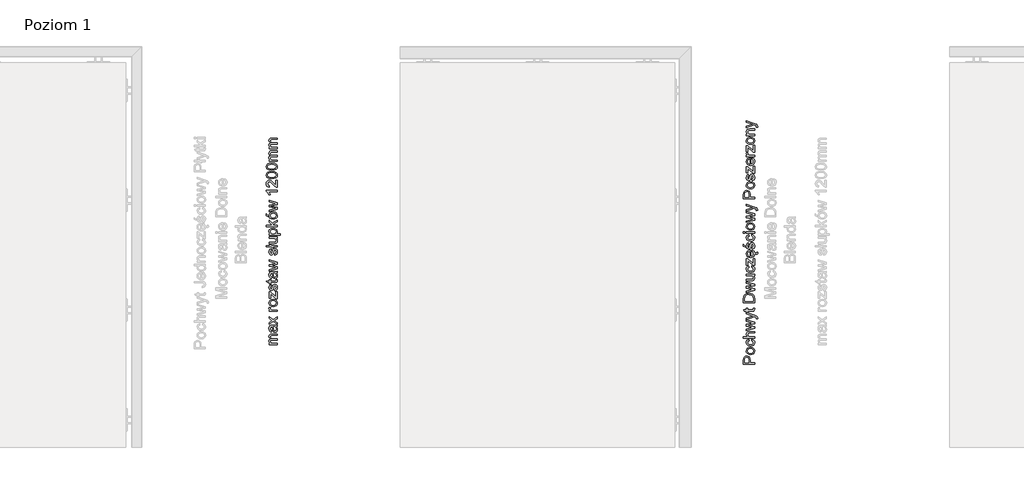
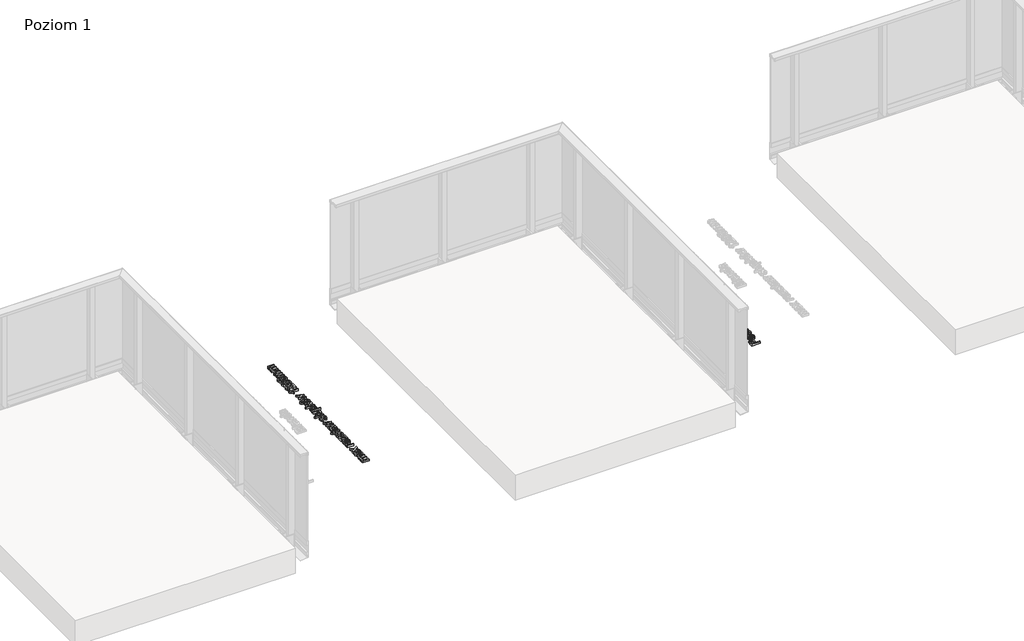
# One storey, part 22 of 35: 2 proxies.
"""IFC4 building model written with IfcOpenShell, lengths in millimetres."""

from ifc_helpers import new_model, si_unit, origin, origin_with_axes, place, context, project, spatial, polyline, outline, extrude, element, save

model = new_model("IFC4")

# Units and contexts
model_context = context("Model", 3, world=origin())
ifc_project = project(units=[si_unit("LENGTHUNIT", "METRE", prefix="MILLI")], contexts=[model_context])

# Site, building, storey
site = spatial("IfcSite", under=ifc_project)
building = spatial("IfcBuilding", under=site)
storey = spatial("IfcBuildingStorey", under=building, Name="Poziom 1", Elevation=0.0)

# Proxies
placement = place(None, origin())
element("IfcBuildingElementProxy", 1, Name="Generic Models", at=placement, inside=storey, context=model_context, shape_type="SweptSolid", body=[
    extrude(outline(polyline([(15115.5993765, -3873.2524168), (15015.1430664, -3873.2524168), (15015.1430664, -3836.0227589), (15016.0995596, -3821.0131735), (15020.7961864, -3808.811754), (15030.508271, -3800.9022911), (15044.205744, -3797.9101842), (15056.0454129, -3799.9304695), (15065.9107817, -3805.9913253), (15072.5694458, -3817.3251565), (15074.7890005, -3835.1643675), (15074.7890005, -3860.695378), (15115.5993765, -3860.695378), (15115.5993765, -3873.2524168)]), holes=[polyline([(15062.2319618, -3860.695378), (15062.2319618, -3834.4286035), (15057.6211741, -3815.9364019), (15052.0722873, -3811.8345177), (15044.6472024, -3810.4672229), (15034.2484047, -3813.6923218), (15028.5584965, -3822.1658704), (15027.7001052, -3834.7229091), (15027.7001052, -3860.695378), (15062.2319618, -3860.695378)])]), origin_with_axes(), (0.0, 0.0, 1.0), 20.0),
    extrude(outline(polyline([(15078.7130752, -3785.3531454), (15060.9259807, -3782.63695), (15048.4241242, -3774.4883638), (15042.298889, -3764.4206599), (15040.2571439, -3752.3663932), (15042.7434131, -3739.1747579), (15050.2022205, -3728.6380045), (15062.0449551, -3721.73102), (15077.6830056, -3719.4286919), (15100.0257054, -3723.4999193), (15112.6685833, -3735.3579822), (15117.1690064, -3752.3663932), (15114.6919343, -3765.7174439), (15107.260718, -3776.2419346), (15095.1696631, -3783.0753427), (15078.7130752, -3785.3531454)]), holes=[polyline([(15078.6885497, -3772.7961066), (15090.0530377, -3771.3429727), (15098.1495072, -3766.9835711), (15102.9963525, -3760.4230089), (15104.6119676, -3752.3663932), (15102.9871555, -3744.3465657), (15098.112719, -3737.7982661), (15089.9089505, -3733.4388645), (15078.2961422, -3731.9857306), (15067.2627481, -3733.4480616), (15059.2766431, -3737.8350543), (15054.4297978, -3744.3925509), (15052.8141827, -3752.3663932), (15054.4236664, -3760.4230089), (15059.2521176, -3766.9835711), (15067.3301931, -3771.3429727), (15078.6885497, -3772.7961066)])]), origin_with_axes(), (0.0, 0.0, 1.0), 20.0),
    extrude(outline(polyline([(15088.9156692, -3658.2131279), (15090.485299, -3645.6560891), (15101.6535832, -3649.1570994), (15110.0934093, -3655.7360558), (15115.4001071, -3664.7736901), (15117.1690064, -3675.6507344), (15114.7011313, -3689.0079165), (15107.2975062, -3699.4526995), (15095.2830934, -3706.1941371), (15078.9828553, -3708.4412829), (15058.1239462, -3704.6030475), (15044.7207788, -3692.9044), (15040.2571439, -3675.8224127), (15041.7899856, -3665.2120828), (15046.3885105, -3656.7293371), (15053.8074641, -3650.6439558), (15063.8015916, -3647.2257189), (15065.3712215, -3659.7827577), (15055.9657051, -3665.607556), (15052.8141827, -3675.7243108), (15054.3654184, -3683.8391745), (15059.0191257, -3690.2801751), (15067.0266904, -3694.4832269), (15078.6394988, -3695.8842442), (15090.4086569, -3694.5138837), (15098.4438128, -3690.4028024), (15103.0699289, -3684.0782978), (15104.6119676, -3676.0676674), (15100.7614694, -3664.2341298), (15088.9156692, -3658.2131279)])), origin_with_axes(), (0.0, 0.0, 1.0), 20.0),
    extrude(outline(polyline([(15115.5993765, -3634.6686802), (15015.1430664, -3634.6686802), (15015.1430664, -3622.1116414), (15052.0784187, -3622.1116414), (15043.2124626, -3612.319849), (15040.2571439, -3600.2594509), (15043.4822427, -3586.1573077), (15052.3972498, -3577.59792), (15068.9028886, -3575.022746), (15115.5993765, -3575.022746), (15115.5993765, -3587.5797848), (15070.2027383, -3587.5797848), (15056.9589865, -3591.5774358), (15052.8141827, -3602.9082013), (15055.6100859, -3613.1966344), (15063.188455, -3620.063765), (15076.4076813, -3622.1116414), (15115.5993765, -3622.1116414), (15115.5993765, -3634.6686802)])), origin_with_axes(), (0.0, 0.0, 1.0), 20.0),
    extrude(outline(polyline([(15115.5993765, -3545.51861), (15041.8267738, -3567.9594117), (15041.8267738, -3554.9118636), (15084.8689672, -3542.1831466), (15100.2464346, -3538.3816993), (15085.4330529, -3535.2669651), (15041.8267738, -3525.1379475), (15041.8267738, -3510.177413), (15085.3104256, -3500.0974463), (15098.7258557, -3497.3260686), (15084.5746616, -3493.3529431), (15041.8267738, -3480.5997006), (15041.8267738, -3467.5031016), (15115.5993765, -3490.1155815), (15115.5993765, -3505.2968452), (15072.3364539, -3514.9353535), (15058.8474474, -3517.7312566), (15115.5993765, -3530.1656681), (15115.5993765, -3545.51861)])), origin_with_axes(), (0.0, 0.0, 1.0), 20.0),
    extrude(outline(polyline([(15143.8527138, -3458.8701374), (15131.7616589, -3460.4397673), (15132.8653048, -3454.063146), (15131.479616, -3448.1034577), (15127.616855, -3444.4491632), (15118.3707542, -3441.0155979), (15115.3295964, -3440.0345793), (15041.8267738, -3466.7182866), (15041.8267738, -3453.4745348), (15082.7843026, -3439.3233407), (15099.1673141, -3434.393722), (15084.6972889, -3429.4641033), (15041.8267738, -3414.9205017), (15041.8267738, -3401.7748518), (15117.3652101, -3427.453015), (15133.7482216, -3434.1239419), (15142.601915, -3441.4080054), (15145.4223436, -3451.1936664), (15143.8527138, -3458.8701374)])), origin_with_axes(), (0.0, 0.0, 1.0), 20.0),
    extrude(outline(polyline([(15105.1270024, -3364.6923466), (15115.9672585, -3363.1227168), (15117.1690064, -3372.5159704), (15115.0843417, -3383.0373955), (15109.6151627, -3388.2858453), (15095.3658668, -3389.8064242), (15054.3838125, -3389.8064242), (15054.3838125, -3399.2242033), (15041.8267738, -3399.2242033), (15041.8267738, -3389.8064242), (15023.8986579, -3389.8064242), (15016.5164925, -3377.2493854), (15041.8267738, -3377.2493854), (15041.8267738, -3364.6923466), (15054.3838125, -3364.6923466), (15054.3838125, -3377.2493854), (15094.9979848, -3377.2493854), (15101.4727079, -3376.5871978), (15103.765839, -3374.4412195), (15104.6119676, -3370.1615256), (15105.1270024, -3364.6923466)])), origin_with_axes(), (0.0, 0.0, 1.0), 20.0),
    extrude(outline(polyline([(15115.5993765, -3311.3249319), (15015.1430664, -3311.3249319), (15015.1430664, -3276.6704479), (15016.5900689, -3258.742332), (15023.7760305, -3243.9780013), (15040.943857, -3232.0831501), (15064.8316612, -3228.13455), (15085.1019591, -3230.8078259), (15099.7313998, -3237.6749564), (15108.8426106, -3246.8474809), (15113.8825939, -3258.8526966), (15115.5993765, -3275.0027162), (15115.5993765, -3311.3249319)]), holes=[polyline([(15103.0423378, -3298.7678931), (15103.0423378, -3276.5478206), (15101.2274533, -3260.3855383), (15096.1016308, -3251.0658611), (15083.6304312, -3243.4261783), (15064.6354575, -3240.6915888), (15050.9502472, -3242.0312924), (15040.8457551, -3246.0504032), (15029.7111934, -3259.0856886), (15027.7001052, -3276.8911771), (15027.7001052, -3298.7678931), (15103.0423378, -3298.7678931)])]), origin_with_axes(), (0.0, 0.0, 1.0), 20.0),
    extrude(outline(polyline([(15115.5993765, -3200.2000439), (15041.8267738, -3222.6408456), (15041.8267738, -3209.5932975), (15084.8689672, -3196.8645804), (15100.2464346, -3193.0631332), (15085.4330529, -3189.9483989), (15041.8267738, -3179.8193813), (15041.8267738, -3164.8588469), (15085.3104256, -3154.7788802), (15098.7258557, -3152.0075025), (15084.5746616, -3148.0343769), (15041.8267738, -3135.2811344), (15041.8267738, -3122.1845354), (15115.5993765, -3144.7970154), (15115.5993765, -3159.9782791), (15072.3364539, -3169.6167873), (15058.8474474, -3172.4126905), (15115.5993765, -3184.8471019), (15115.5993765, -3200.2000439)])), origin_with_axes(), (0.0, 0.0, 1.0), 20.0),
    extrude(outline(polyline([(15115.5993765, -3066.4626759), (15102.9197104, -3066.4626759), (15113.6066824, -3076.2973879), (15117.1690064, -3089.1242068), (15114.6674088, -3100.9332188), (15108.3888894, -3109.0756737), (15099.1427886, -3112.8158073), (15087.4686666, -3113.5515713), (15041.8267738, -3113.5515713), (15041.8267738, -3100.9945325), (15081.5580292, -3100.9945325), (15094.3603227, -3100.234243), (15101.8773781, -3095.2678361), (15104.6119676, -3085.9113707), (15101.8160644, -3075.4267338), (15094.2009071, -3068.4982896), (15080.2091286, -3066.4626759), (15041.8267738, -3066.4626759), (15041.8267738, -3053.9056371), (15115.5993765, -3053.9056371), (15115.5993765, -3066.4626759)])), origin_with_axes(), (0.0, 0.0, 1.0), 20.0),
    extrude(outline(polyline([(15088.9156692, -2989.5508134), (15090.485299, -2976.9937747), (15101.6535832, -2980.494785), (15110.0934093, -2987.0737413), (15115.4001071, -2996.1113757), (15117.1690064, -3006.98842), (15114.7011313, -3020.3456021), (15107.2975062, -3030.7903851), (15095.2830934, -3037.5318226), (15078.9828553, -3039.7789685), (15058.1239462, -3035.940733), (15044.7207788, -3024.2420856), (15040.2571439, -3007.1600983), (15041.7899856, -2996.5497684), (15046.3885105, -2988.0670227), (15053.8074641, -2981.9816414), (15063.8015916, -2978.5634045), (15065.3712215, -2991.1204433), (15055.9657051, -2996.9452415), (15052.8141827, -3007.0619964), (15054.3654184, -3015.1768601), (15059.0191257, -3021.6178607), (15067.0266904, -3025.8209125), (15078.6394988, -3027.2219297), (15090.4086569, -3025.8515693), (15098.4438128, -3021.740488), (15103.0699289, -3015.4159834), (15104.6119676, -3007.4053529), (15100.7614694, -2995.5718154), (15088.9156692, -2989.5508134)])), origin_with_axes(), (0.0, 0.0, 1.0), 20.0),
    extrude(outline(polyline([(15115.5993765, -2973.854515), (15103.7781018, -2973.854515), (15054.3838125, -2930.5180159), (15054.3838125, -2943.3448348), (15054.3838125, -2970.7152553), (15041.8267738, -2970.7152553), (15041.8267738, -2912.638951), (15052.4953516, -2912.638951), (15096.32236, -2951.0703567), (15103.0423378, -2956.9564687), (15103.0423378, -2942.4373926), (15103.0423378, -2911.0693211), (15115.5993765, -2911.0693211), (15115.5993765, -2973.854515)])), origin_with_axes(), (0.0, 0.0, 1.0), 20.0),
    extrude(outline(polyline([(15093.6245587, -2846.8616502), (15095.1941885, -2834.5498661), (15104.4709462, -2838.9859098), (15111.4055218, -2846.0645726), (15115.768218, -2855.9570793), (15121.6694295, -2861.8344474), (15128.9902812, -2863.9804257), (15133.9689508, -2862.4475841), (15136.0045645, -2857.4811772), (15135.5631061, -2854.3419175), (15134.3858838, -2851.423387), (15143.0433734, -2851.423387), (15145.4223436, -2860.2280294), (15144.4167995, -2866.0037767), (15141.6454218, -2870.1240551), (15137.5864571, -2872.5888644), (15132.6691011, -2873.3982048), (15123.7540941, -2870.9456582), (15116.8755159, -2865.091109), (15117.1690064, -2867.5120929), (15114.6827372, -2882.2457668), (15107.2239298, -2893.5826636), (15095.276962, -2900.8115448), (15079.3262118, -2903.2211719), (15062.8389671, -2900.7870194), (15050.5087889, -2893.4845618), (15042.8200552, -2882.3009491), (15040.2571439, -2868.2233314), (15042.8139238, -2854.5841064), (15050.4842634, -2843.6856023), (15062.7899161, -2836.5394946), (15079.2526354, -2834.1574587), (15082.6371498, -2834.2310351), (15082.6371498, -2890.6641331), (15092.0365347, -2888.4905637), (15098.9465849, -2883.4413833), (15103.1956219, -2876.1542541), (15104.6119676, -2867.2668382), (15101.9877427, -2854.9550541), (15093.6245587, -2846.8616502)]), holes=[polyline([(15070.080111, -2890.6641331), (15070.080111, -2846.7144974), (15058.7002946, -2851.742218), (15054.2857107, -2859.0630697), (15052.8141827, -2868.2723823), (15057.5108095, -2883.7356889), (15063.0014483, -2888.6009283), (15070.080111, -2890.6641331)])]), origin_with_axes(), (0.0, 0.0, 1.0), 20.0),
    extrude(outline(polyline([(15093.6245587, -2826.3093094), (15092.0549288, -2813.7522707), (15101.3746061, -2807.9397351), (15104.6119676, -2794.6224069), (15101.6443862, -2781.8201135), (15094.6791537, -2777.6507842), (15089.0382965, -2781.8446389), (15085.4575784, -2794.7695597), (15079.3139491, -2813.6786943), (15072.1402502, -2821.9315137), (15062.0112326, -2824.7396796), (15052.6547672, -2822.4833367), (15045.5055937, -2816.3274446), (15041.7899856, -2808.3444053), (15040.2571439, -2797.5409374), (15042.7219533, -2782.2615719), (15049.3928801, -2772.5494872), (15060.6623319, -2768.2330051), (15062.2319618, -2780.7900439), (15055.3035175, -2785.5111962), (15052.8141827, -2796.5599188), (15055.1931529, -2808.5773973), (15060.7359083, -2812.1826408), (15064.3902028, -2810.6865874), (15067.1615805, -2806.0022233), (15069.8348563, -2795.1864926), (15075.7454937, -2776.7556047), (15082.440946, -2768.1962169), (15093.3547786, -2765.0937454), (15105.3722571, -2768.7357772), (15114.0910604, -2779.2449395), (15117.1690064, -2794.7940852), (15115.6852157, -2807.4553572), (15111.2338435, -2816.6953266), (15103.8639409, -2822.8634814), (15093.6245587, -2826.3093094)])), origin_with_axes(), (0.0, 0.0, 1.0), 20.0),
    extrude(outline(polyline([(15033.9786245, -2807.4737513), (15015.1430664, -2798.0559722), (15015.1430664, -2782.3596737), (15033.9786245, -2798.0559722), (15033.9786245, -2807.4737513)])), origin_with_axes(), (0.0, 0.0, 1.0), 20.0),
    extrude(outline(polyline([(15088.9156692, -2703.8781814), (15090.485299, -2691.3211427), (15101.6535832, -2694.822153), (15110.0934093, -2701.4011093), (15115.4001071, -2710.4387437), (15117.1690064, -2721.315788), (15114.7011313, -2734.6729701), (15107.2975062, -2745.1177531), (15095.2830934, -2751.8591907), (15078.9828553, -2754.1063365), (15058.1239462, -2750.268101), (15044.7207788, -2738.5694536), (15040.2571439, -2721.4874663), (15041.7899856, -2710.8771364), (15046.3885105, -2702.3943907), (15053.8074641, -2696.3090094), (15063.8015916, -2692.8907725), (15065.3712215, -2705.4478113), (15055.9657051, -2711.2726095), (15052.8141827, -2721.3893644), (15054.3654184, -2729.5042281), (15059.0191257, -2735.9452287), (15067.0266904, -2740.1482805), (15078.6394988, -2741.5492977), (15090.4086569, -2740.1789373), (15098.4438128, -2736.067856), (15103.0699289, -2729.7433514), (15104.6119676, -2721.7327209), (15100.7614694, -2709.8991834), (15088.9156692, -2703.8781814)])), origin_with_axes(), (0.0, 0.0, 1.0), 20.0),
    extrude(outline(polyline([(15027.7001052, -2680.3337337), (15015.1430664, -2680.3337337), (15015.1430664, -2667.776695), (15027.7001052, -2667.776695), (15027.7001052, -2680.3337337)])), origin_with_axes(), (0.0, 0.0, 1.0), 20.0),
    extrude(outline(polyline([(15115.5993765, -2680.3337337), (15041.8267738, -2680.3337337), (15041.8267738, -2667.776695), (15115.5993765, -2667.776695), (15115.5993765, -2680.3337337)])), origin_with_axes(), (0.0, 0.0, 1.0), 20.0),
    extrude(outline(polyline([(15078.7130752, -2652.0803965), (15060.9259807, -2649.3642011), (15048.4241242, -2641.2156149), (15042.298889, -2631.147911), (15040.2571439, -2619.0936443), (15042.7434131, -2605.9020091), (15050.2022205, -2595.3652556), (15062.0449551, -2588.4582711), (15077.6830056, -2586.155943), (15100.0257054, -2590.2271704), (15112.6685833, -2602.0852334), (15117.1690064, -2619.0936443), (15114.6919343, -2632.444695), (15107.260718, -2642.9691858), (15095.1696631, -2649.8025938), (15078.7130752, -2652.0803965)]), holes=[polyline([(15078.6885497, -2639.5233577), (15090.0530377, -2638.0702239), (15098.1495072, -2633.7108222), (15102.9963525, -2627.15026), (15104.6119676, -2619.0936443), (15102.9871555, -2611.0738168), (15098.112719, -2604.5255173), (15089.9089505, -2600.1661156), (15078.2961422, -2598.7129817), (15067.2627481, -2600.1753127), (15059.2766431, -2604.5623055), (15054.4297978, -2611.119802), (15052.8141827, -2619.0936443), (15054.4236664, -2627.15026), (15059.2521176, -2633.7108222), (15067.3301931, -2638.0702239), (15078.6885497, -2639.5233577)])]), origin_with_axes(), (0.0, 0.0, 1.0), 20.0),
    extrude(outline(polyline([(15115.5993765, -2559.7910667), (15041.8267738, -2582.2318684), (15041.8267738, -2569.1843203), (15084.8689672, -2556.4556032), (15100.2464346, -2552.654156), (15085.4330529, -2549.5394217), (15041.8267738, -2539.4104041), (15041.8267738, -2524.4498697), (15085.3104256, -2514.369903), (15098.7258557, -2511.5985253), (15084.5746616, -2507.6253997), (15041.8267738, -2494.8721572), (15041.8267738, -2481.7755582), (15115.5993765, -2504.3880382), (15115.5993765, -2519.5693019), (15072.3364539, -2529.2078101), (15058.8474474, -2532.0037133), (15115.5993765, -2544.4381247), (15115.5993765, -2559.7910667)])), origin_with_axes(), (0.0, 0.0, 1.0), 20.0),
    extrude(outline(polyline([(15143.8527138, -2473.1425941), (15131.7616589, -2474.7122239), (15132.8653048, -2468.3356027), (15131.479616, -2462.3759143), (15127.616855, -2458.7216199), (15118.3707542, -2455.2880546), (15115.3295964, -2454.3070359), (15041.8267738, -2480.9907433), (15041.8267738, -2467.7469915), (15082.7843026, -2453.5957974), (15099.1673141, -2448.6661787), (15084.6972889, -2443.7365599), (15041.8267738, -2429.1929584), (15041.8267738, -2416.0473084), (15117.3652101, -2441.7254717), (15133.7482216, -2448.3963985), (15142.601915, -2455.680462), (15145.4223436, -2465.4661231), (15143.8527138, -2473.1425941)])), origin_with_axes(), (0.0, 0.0, 1.0), 20.0),
    extrude(outline(polyline([(15115.5993765, -2364.8381347), (15015.1430664, -2364.8381347), (15015.1430664, -2327.6084768), (15016.0995596, -2312.5988914), (15020.7961864, -2300.3974719), (15030.508271, -2292.488009), (15044.205744, -2289.4959021), (15056.0454129, -2291.5161874), (15065.9107817, -2297.5770432), (15072.5694458, -2308.9108744), (15074.7890005, -2326.7500854), (15074.7890005, -2352.2810959), (15115.5993765, -2352.2810959), (15115.5993765, -2364.8381347)]), holes=[polyline([(15062.2319618, -2352.2810959), (15062.2319618, -2326.0143215), (15057.6211741, -2307.5221198), (15052.0722873, -2303.4202356), (15044.6472024, -2302.0529408), (15034.2484047, -2305.2780397), (15028.5584965, -2313.7515883), (15027.7001052, -2326.3086271), (15027.7001052, -2352.2810959), (15062.2319618, -2352.2810959)])]), origin_with_axes(), (0.0, 0.0, 1.0), 20.0),
    extrude(outline(polyline([(15078.7130752, -2276.9388633), (15060.9259807, -2274.2226679), (15048.4241242, -2266.0740817), (15042.298889, -2256.0063778), (15040.2571439, -2243.9521111), (15042.7434131, -2230.7604759), (15050.2022205, -2220.2237224), (15062.0449551, -2213.3167379), (15077.6830056, -2211.0144098), (15100.0257054, -2215.0856372), (15112.6685833, -2226.9437002), (15117.1690064, -2243.9521111), (15114.6919343, -2257.3031618), (15107.260718, -2267.8276526), (15095.1696631, -2274.6610606), (15078.7130752, -2276.9388633)]), holes=[polyline([(15078.6885497, -2264.3818245), (15090.0530377, -2262.9286907), (15098.1495072, -2258.569289), (15102.9963525, -2252.0087268), (15104.6119676, -2243.9521111), (15102.9871555, -2235.9322836), (15098.112719, -2229.3839841), (15089.9089505, -2225.0245824), (15078.2961422, -2223.5714485), (15067.2627481, -2225.0337795), (15059.2766431, -2229.4207723), (15054.4297978, -2235.9782688), (15052.8141827, -2243.9521111), (15054.4236664, -2252.0087268), (15059.2521176, -2258.569289), (15067.3301931, -2262.9286907), (15078.6885497, -2264.3818245)])]), origin_with_axes(), (0.0, 0.0, 1.0), 20.0),
    extrude(outline(polyline([(15093.6245587, -2201.5966307), (15092.0549288, -2189.0395919), (15101.3746061, -2183.2270564), (15104.6119676, -2169.9097282), (15101.6443862, -2157.1074347), (15094.6791537, -2152.9381055), (15089.0382965, -2157.1319602), (15085.4575784, -2170.056881), (15079.3139491, -2188.9660155), (15072.1402502, -2197.2188349), (15062.0112326, -2200.0270008), (15052.6547672, -2197.7706579), (15045.5055937, -2191.6147659), (15041.7899856, -2183.6317266), (15040.2571439, -2172.8282587), (15042.7219533, -2157.5488931), (15049.3928801, -2147.8368085), (15060.6623319, -2143.5203264), (15062.2319618, -2156.0773652), (15055.3035175, -2160.7985174), (15052.8141827, -2171.84724), (15055.1931529, -2183.8647185), (15060.7359083, -2187.4699621), (15064.3902028, -2185.9739086), (15067.1615805, -2181.2895446), (15069.8348563, -2170.4738139), (15075.7454937, -2152.0429259), (15082.440946, -2143.4835382), (15093.3547786, -2140.3810667), (15105.3722571, -2144.0230984), (15114.0910604, -2154.5322608), (15117.1690064, -2170.0814064), (15115.6852157, -2182.7426784), (15111.2338435, -2191.9826479), (15103.8639409, -2198.1508027), (15093.6245587, -2201.5966307)])), origin_with_axes(), (0.0, 0.0, 1.0), 20.0),
    extrude(outline(polyline([(15115.5993765, -2134.1025473), (15103.7781018, -2134.1025473), (15054.3838125, -2090.7660483), (15054.3838125, -2103.5928672), (15054.3838125, -2130.9632876), (15041.8267738, -2130.9632876), (15041.8267738, -2072.8869833), (15052.4953516, -2072.8869833), (15096.32236, -2111.3183891), (15103.0423378, -2117.204501), (15103.0423378, -2102.6854249), (15103.0423378, -2071.3173535), (15115.5993765, -2071.3173535), (15115.5993765, -2134.1025473)])), origin_with_axes(), (0.0, 0.0, 1.0), 20.0),
    extrude(outline(polyline([(15093.6245587, -2007.1096826), (15095.1941885, -1994.7978985), (15104.4709462, -1999.2339422), (15111.4055218, -2006.3126049), (15115.7281352, -2015.8744711), (15117.1690064, -2027.7601252), (15114.6827372, -2042.4937991), (15107.2239298, -2053.830696), (15095.276962, -2061.0595772), (15079.3262118, -2063.4692042), (15062.8389671, -2061.0350517), (15050.5087889, -2053.7325941), (15042.8200552, -2042.5489814), (15040.2571439, -2028.4713638), (15042.8139238, -2014.8321388), (15050.4842634, -2003.9336347), (15062.7899161, -1996.7875269), (15079.2526354, -1994.405491), (15082.6371498, -1994.4790674), (15082.6371498, -2050.9121655), (15092.0365347, -2048.738596), (15098.9465849, -2043.6894156), (15103.1956219, -2036.4022864), (15104.6119676, -2027.5148706), (15101.9877427, -2015.2030865), (15093.6245587, -2007.1096826)]), holes=[polyline([(15070.080111, -2050.9121655), (15070.080111, -2006.9625298), (15058.7002946, -2011.9902504), (15054.2857107, -2019.3111021), (15052.8141827, -2028.5204147), (15057.5108095, -2043.9837212), (15063.0014483, -2048.8489606), (15070.080111, -2050.9121655)])]), origin_with_axes(), (0.0, 0.0, 1.0), 20.0),
    extrude(outline(polyline([(15115.5993765, -1942.6077061), (15103.7781018, -1942.6077061), (15054.3838125, -1899.2712071), (15054.3838125, -1912.098026), (15054.3838125, -1939.4684464), (15041.8267738, -1939.4684464), (15041.8267738, -1881.3921421), (15052.4953516, -1881.3921421), (15096.32236, -1919.8235479), (15103.0423378, -1925.7096598), (15103.0423378, -1911.1905837), (15103.0423378, -1879.8225122), (15115.5993765, -1879.8225122), (15115.5993765, -1942.6077061)])), origin_with_axes(), (0.0, 0.0, 1.0), 20.0),
    extrude(outline(polyline([(15115.5993765, -1981.8484522), (15041.8267738, -1981.8484522), (15041.8267738, -1970.8610433), (15052.7406063, -1970.8610433), (15042.6851651, -1963.061945), (15040.2571439, -1955.2137958), (15044.1321676, -1942.6077061), (15055.3893567, -1946.8015608), (15052.8141827, -1955.6307287), (15055.2912548, -1962.7308512), (15062.1583854, -1967.2557998), (15076.8246142, -1969.2914135), (15115.5993765, -1969.2914135), (15115.5993765, -1981.8484522)])), origin_with_axes(), (0.0, 0.0, 1.0), 20.0),
    extrude(outline(polyline([(15078.7130752, -1870.4047332), (15060.9259807, -1867.6885378), (15048.4241242, -1859.5399516), (15042.298889, -1849.4722476), (15040.2571439, -1837.4179809), (15042.7434131, -1824.2263457), (15050.2022205, -1813.6895922), (15062.0449551, -1806.7826078), (15077.6830056, -1804.4802796), (15100.0257054, -1808.551507), (15112.6685833, -1820.40957), (15117.1690064, -1837.4179809), (15114.6919343, -1850.7690317), (15107.260718, -1861.2935224), (15095.1696631, -1868.1269305), (15078.7130752, -1870.4047332)]), holes=[polyline([(15078.6885497, -1857.8476944), (15090.0530377, -1856.3945605), (15098.1495072, -1852.0351589), (15102.9963525, -1845.4745966), (15104.6119676, -1837.4179809), (15102.9871555, -1829.3981534), (15098.112719, -1822.8498539), (15089.9089505, -1818.4904523), (15078.2961422, -1817.0373184), (15067.2627481, -1818.4996493), (15059.2766431, -1822.8866421), (15054.4297978, -1829.4441387), (15052.8141827, -1837.4179809), (15054.4236664, -1845.4745966), (15059.2521176, -1852.0351589), (15067.3301931, -1856.3945605), (15078.6885497, -1857.8476944)])]), origin_with_axes(), (0.0, 0.0, 1.0), 20.0),
    extrude(outline(polyline([(15115.5993765, -1790.353611), (15041.8267738, -1790.353611), (15041.8267738, -1777.7965722), (15052.1274696, -1777.7965722), (15043.2247253, -1768.1948522), (15040.2571439, -1755.0859904), (15042.6483769, -1743.2279274), (15048.9268963, -1735.1345235), (15058.1607344, -1731.3698645), (15070.3008402, -1730.7076769), (15115.5993765, -1730.7076769), (15115.5993765, -1743.2647156), (15071.9930974, -1743.2647156), (15060.8830611, -1744.7117181), (15055.0092119, -1749.8252779), (15052.8141827, -1758.4459793), (15057.7438014, -1772.0698759), (15064.8868435, -1776.3648981), (15076.4567322, -1777.7965722), (15115.5993765, -1777.7965722), (15115.5993765, -1790.353611)])), origin_with_axes(), (0.0, 0.0, 1.0), 20.0),
    extrude(outline(polyline([(15143.8527138, -1713.4417486), (15131.7616589, -1715.0113784), (15132.8653048, -1708.6347572), (15131.479616, -1702.6750688), (15127.616855, -1699.0207743), (15118.3707542, -1695.5872091), (15115.3295964, -1694.6061904), (15041.8267738, -1721.2898978), (15041.8267738, -1708.046146), (15082.7843026, -1693.8949519), (15099.1673141, -1688.9653331), (15084.6972889, -1684.0357144), (15041.8267738, -1669.4921129), (15041.8267738, -1656.3464629), (15117.3652101, -1682.0246262), (15133.7482216, -1688.695553), (15142.601915, -1695.9796165), (15145.4223436, -1705.7652776), (15143.8527138, -1713.4417486)])), origin_with_axes(), (0.0, 0.0, 1.0), 20.0),
])
element("IfcBuildingElementProxy", 2, Name="Generic Models", at=placement, inside=storey, context=model_context, shape_type="SweptSolid", body=[
    extrude(outline(polyline([(10769.7173752, -3695.0976583), (10695.9447724, -3695.0976583), (10695.9447724, -3682.5406196), (10708.0848783, -3682.5406196), (10698.1398017, -3673.9076554), (10694.3751426, -3661.6203968), (10698.2133781, -3649.0388325), (10708.9677951, -3642.122651), (10698.0233057, -3632.3247272), (10694.3751426, -3619.9516294), (10695.8926558, -3610.5123906), (10700.4451955, -3603.5318297), (10708.155389, -3599.2184133), (10719.1458636, -3597.7806079), (10769.7173752, -3597.7806079), (10769.7173752, -3610.3376466), (10724.5414662, -3610.3376466), (10714.0568293, -3611.5026063), (10708.8942187, -3615.7209865), (10706.9321813, -3622.8946854), (10711.959902, -3635.2432577), (10718.5020701, -3638.9312747), (10728.0731333, -3640.1606137), (10769.7173752, -3640.1606137), (10769.7173752, -3652.7176525), (10723.1435146, -3652.7176525), (10710.9788833, -3655.6239202), (10706.9321813, -3665.1520639), (10709.6299826, -3674.4472157), (10717.5271828, -3680.6276332), (10732.5122427, -3682.5406196), (10769.7173752, -3682.5406196), (10769.7173752, -3695.0976583)])), origin_with_axes(), (0.0, 0.0, 1.0), 20.0),
    extrude(outline(polyline([(10760.2995961, -3531.8561543), (10768.8099329, -3544.0330484), (10771.287005, -3557.4852667), (10769.797083, -3567.9791006), (10765.3273167, -3575.7199509), (10758.5398939, -3580.4932198), (10750.0970021, -3582.0843094), (10740.1641882, -3579.6808137), (10732.9537011, -3573.3655061), (10728.8334228, -3564.5731264), (10726.9449619, -3553.7083448), (10722.6284798, -3531.9297307), (10719.8325766, -3531.8561543), (10710.5619504, -3535.3142451), (10706.9321813, -3549.195659), (10709.3479398, -3561.8998506), (10717.9195903, -3567.9576408), (10716.3499604, -3580.5146796), (10704.0872273, -3575.0822888), (10696.9012656, -3564.1439308), (10694.3751426, -3547.5769783), (10696.60696, -3532.3589264), (10702.2110291, -3523.7627504), (10710.7336286, -3519.9122522), (10721.7210376, -3519.2991156), (10737.3437596, -3519.2991156), (10759.1591619, -3518.6614534), (10769.7173752, -3516.1598559), (10769.7173752, -3528.7168946), (10760.2995961, -3531.8561543)]), holes=[polyline([(10735.1855186, -3531.8561543), (10739.0360168, -3552.1141895), (10741.0716305, -3562.9176575), (10744.3825685, -3567.810488), (10749.2140853, -3569.5272706), (10756.0076395, -3565.787137), (10758.7299663, -3554.8119908), (10755.7255966, -3542.1077993), (10748.4537959, -3533.9162935), (10738.7417112, -3531.9297307), (10735.1855186, -3531.8561543)])]), origin_with_axes(), (0.0, 0.0, 1.0), 20.0),
    extrude(outline(polyline([(10769.7173752, -3509.8813365), (10732.6348701, -3483.0504763), (10695.9447724, -3508.3117066), (10695.9447724, -3493.2040194), (10713.6031082, -3481.0148626), (10721.9417668, -3475.3249544), (10715.1236871, -3470.3953357), (10695.9447724, -3456.5139217), (10695.9447724, -3441.4062344), (10732.6348701, -3467.942789), (10769.7173752, -3442.3872531), (10769.7173752, -3457.4949404), (10747.4237263, -3472.8724078), (10743.3524989, -3475.6928364), (10769.7173752, -3494.7736492), (10769.7173752, -3509.8813365)])), origin_with_axes(), (0.0, 0.0, 1.0), 20.0),
    extrude(outline(polyline([(10769.7173752, -3392.159098), (10695.9447724, -3392.159098), (10695.9447724, -3381.1716891), (10706.858605, -3381.1716891), (10696.8031637, -3373.3725908), (10694.3751426, -3365.5244416), (10698.2501663, -3352.9183519), (10709.5073553, -3357.1122066), (10706.9321813, -3365.9413745), (10709.4092535, -3373.041497), (10716.276384, -3377.5664456), (10730.9426129, -3379.6020593), (10769.7173752, -3379.6020593), (10769.7173752, -3392.159098)])), origin_with_axes(), (0.0, 0.0, 1.0), 20.0),
    extrude(outline(polyline([(10732.8310738, -3348.2094623), (10715.0439793, -3345.4932669), (10702.5421229, -3337.3446807), (10696.4168877, -3327.2769768), (10694.3751426, -3315.2227101), (10696.8614117, -3302.0310749), (10704.3202192, -3291.4943214), (10716.1629537, -3284.587337), (10731.8010042, -3282.2850088), (10754.1437041, -3286.3562362), (10766.786582, -3298.2142992), (10771.287005, -3315.2227101), (10768.8099329, -3328.5737608), (10761.3787166, -3339.0982516), (10749.2876617, -3345.9316596), (10732.8310738, -3348.2094623)]), holes=[polyline([(10732.8065483, -3335.6524236), (10744.1710363, -3334.1992897), (10752.2675059, -3329.839888), (10757.1143512, -3323.2793258), (10758.7299663, -3315.2227101), (10757.1051541, -3307.2028826), (10752.2307177, -3300.6545831), (10744.0269492, -3296.2951815), (10732.4141409, -3294.8420476), (10721.3807467, -3296.3043785), (10713.3946417, -3300.6913713), (10708.5477964, -3307.2488679), (10706.9321813, -3315.2227101), (10708.5416651, -3323.2793258), (10713.3701163, -3329.839888), (10721.4481917, -3334.1992897), (10732.8065483, -3335.6524236)])]), origin_with_axes(), (0.0, 0.0, 1.0), 20.0),
    extrude(outline(polyline([(10769.7173752, -3276.0064894), (10757.8961004, -3276.0064894), (10708.5018112, -3232.6699904), (10708.5018112, -3245.4968093), (10708.5018112, -3272.8672297), (10695.9447724, -3272.8672297), (10695.9447724, -3214.7909254), (10706.6133503, -3214.7909254), (10750.4403586, -3253.2223312), (10757.1603364, -3259.1084431), (10757.1603364, -3244.589367), (10757.1603364, -3213.2212956), (10769.7173752, -3213.2212956), (10769.7173752, -3276.0064894)])), origin_with_axes(), (0.0, 0.0, 1.0), 20.0),
    extrude(outline(polyline([(10747.7425573, -3205.3731463), (10746.1729275, -3192.8161076), (10755.4926047, -3187.003572), (10758.7299663, -3173.6862438), (10755.7623848, -3160.8839504), (10748.7971524, -3156.7146211), (10743.1562951, -3160.9084759), (10739.5755771, -3173.8333966), (10733.4319477, -3192.7425312), (10726.2582488, -3200.9953506), (10716.1292312, -3203.8035165), (10706.7727658, -3201.5471736), (10699.6235924, -3195.3912815), (10695.9079842, -3187.4082422), (10694.3751426, -3176.6047743), (10696.8399519, -3161.3254088), (10703.5108788, -3151.6133241), (10714.7803306, -3147.296842), (10716.3499604, -3159.8538808), (10709.4215162, -3164.5750331), (10706.9321813, -3175.6237557), (10709.3111516, -3187.6412342), (10714.853907, -3191.2464777), (10718.5082015, -3189.7504243), (10721.2795792, -3185.0660602), (10723.952855, -3174.2503296), (10729.8634924, -3155.8194416), (10736.5589447, -3147.2600538), (10747.4727772, -3144.1575823), (10759.4902557, -3147.7996141), (10768.209059, -3158.3087764), (10771.287005, -3173.8579221), (10769.8032143, -3186.5191941), (10765.3518422, -3195.7591635), (10757.9819395, -3201.9273183), (10747.7425573, -3205.3731463)])), origin_with_axes(), (0.0, 0.0, 1.0), 20.0),
    extrude(outline(polyline([(10759.2450011, -3103.3472063), (10770.0852572, -3101.7775765), (10771.287005, -3111.1708301), (10769.2023404, -3121.6922552), (10763.7331614, -3126.940705), (10749.4838655, -3128.4612839), (10708.5018112, -3128.4612839), (10708.5018112, -3137.879063), (10695.9447724, -3137.879063), (10695.9447724, -3128.4612839), (10678.0166565, -3128.4612839), (10670.6344912, -3115.9042451), (10695.9447724, -3115.9042451), (10695.9447724, -3103.3472063), (10708.5018112, -3103.3472063), (10708.5018112, -3115.9042451), (10749.1159835, -3115.9042451), (10755.5907066, -3115.2420575), (10757.8838377, -3113.0960792), (10758.7299663, -3108.8163853), (10759.2450011, -3103.3472063)])), origin_with_axes(), (0.0, 0.0, 1.0), 20.0),
    extrude(outline(polyline([(10760.2995961, -3043.7012722), (10768.8099329, -3055.8781662), (10771.287005, -3069.3303845), (10769.797083, -3079.8242184), (10765.3273167, -3087.5650688), (10758.5398939, -3092.3383376), (10750.0970021, -3093.9294273), (10740.1641882, -3091.5259316), (10732.9537011, -3085.210624), (10728.8334228, -3076.4182443), (10726.9449619, -3065.5534627), (10722.6284798, -3043.7748486), (10719.8325766, -3043.7012722), (10710.5619504, -3047.1593629), (10706.9321813, -3061.0407769), (10709.3479398, -3073.7449685), (10717.9195903, -3079.8027587), (10716.3499604, -3092.3597974), (10704.0872273, -3086.9274066), (10696.9012656, -3075.9890486), (10694.3751426, -3059.4220961), (10696.60696, -3044.2040443), (10702.2110291, -3035.6078683), (10710.7336286, -3031.7573701), (10721.7210376, -3031.1442334), (10737.3437596, -3031.1442334), (10759.1591619, -3030.5065713), (10769.7173752, -3028.0049737), (10769.7173752, -3040.5620125), (10760.2995961, -3043.7012722)]), holes=[polyline([(10735.1855186, -3043.7012722), (10739.0360168, -3063.9593074), (10741.0716305, -3074.7627753), (10744.3825685, -3079.6556059), (10749.2140853, -3081.3723885), (10756.0076395, -3077.6322549), (10758.7299663, -3066.6571087), (10755.7255966, -3053.9529171), (10748.4537959, -3045.7614114), (10738.7417112, -3043.7748486), (10735.1855186, -3043.7012722)])]), origin_with_axes(), (0.0, 0.0, 1.0), 20.0),
    extrude(outline(polyline([(10769.7173752, -3001.6400974), (10695.9447724, -3024.0808991), (10695.9447724, -3011.033351), (10738.9869659, -2998.304634), (10754.3644333, -2994.5031867), (10739.5510516, -2991.3884525), (10695.9447724, -2981.2594349), (10695.9447724, -2966.2989004), (10739.4284243, -2956.2189337), (10752.8438543, -2953.447556), (10738.6926603, -2949.4744305), (10695.9447724, -2936.721188), (10695.9447724, -2923.624589), (10769.7173752, -2946.2370689), (10769.7173752, -2961.4183326), (10726.4544526, -2971.0568409), (10712.9654461, -2973.852744), (10769.7173752, -2986.2871555), (10769.7173752, -3001.6400974)])), origin_with_axes(), (0.0, 0.0, 1.0), 20.0),
    extrude(outline(polyline([(10747.7425573, -2880.4597682), (10746.1729275, -2867.9027294), (10755.4926047, -2862.0901939), (10758.7299663, -2848.7728657), (10755.7623848, -2835.9705723), (10748.7971524, -2831.801243), (10743.1562951, -2835.9950977), (10739.5755771, -2848.9200185), (10733.4319477, -2867.829153), (10726.2582488, -2876.0819725), (10716.1292312, -2878.8901384), (10706.7727658, -2876.6337955), (10699.6235924, -2870.4779034), (10695.9079842, -2862.4948641), (10694.3751426, -2851.6913962), (10696.8399519, -2836.4120306), (10703.5108788, -2826.699946), (10714.7803306, -2822.3834639), (10716.3499604, -2834.9405027), (10709.4215162, -2839.6616549), (10706.9321813, -2850.7103775), (10709.3111516, -2862.727856), (10714.853907, -2866.3330996), (10718.5082015, -2864.8370461), (10721.2795792, -2860.1526821), (10723.952855, -2849.3369514), (10729.8634924, -2830.9060635), (10736.5589447, -2822.3466757), (10747.4727772, -2819.2442042), (10759.4902557, -2822.886236), (10768.209059, -2833.3953983), (10771.287005, -2848.9445439), (10769.8032143, -2861.6058159), (10765.3518422, -2870.8457854), (10757.9819395, -2877.0139402), (10747.7425573, -2880.4597682)])), origin_with_axes(), (0.0, 0.0, 1.0), 20.0),
    extrude(outline(polyline([(10730.0106452, -2805.1175356), (10737.5399633, -2814.5353147), (10723.4132947, -2814.5353147), (10715.8839766, -2805.1175356), (10669.261065, -2805.1175356), (10669.261065, -2792.5604968), (10705.8285354, -2792.5604968), (10698.2992172, -2783.1427177), (10712.4258858, -2783.1427177), (10719.955204, -2792.5604968), (10769.7173752, -2792.5604968), (10769.7173752, -2805.1175356), (10730.0106452, -2805.1175356)])), origin_with_axes(), (0.0, 0.0, 1.0), 20.0),
    extrude(outline(polyline([(10769.7173752, -2726.6360433), (10757.0377091, -2726.6360433), (10767.7246811, -2736.4707553), (10771.287005, -2749.2975742), (10768.7854075, -2761.1065862), (10762.5068881, -2769.2490411), (10753.2607873, -2772.9891747), (10741.5866653, -2773.7249387), (10695.9447724, -2773.7249387), (10695.9447724, -2761.1678999), (10735.6760279, -2761.1678999), (10748.4783213, -2760.4076104), (10755.9953768, -2755.4412035), (10758.7299663, -2746.0847381), (10755.9340631, -2735.6001012), (10748.3189058, -2728.671657), (10734.3271273, -2726.6360433), (10695.9447724, -2726.6360433), (10695.9447724, -2714.0790045), (10769.7173752, -2714.0790045), (10769.7173752, -2726.6360433)])), origin_with_axes(), (0.0, 0.0, 1.0), 20.0),
    extrude(outline(polyline([(10797.9707124, -2696.8130762), (10695.9447724, -2696.8130762), (10695.9447724, -2684.2560374), (10708.2565565, -2684.2560374), (10697.8454961, -2675.5740224), (10694.3751426, -2663.8508494), (10699.2311849, -2647.9338218), (10712.9163951, -2637.5350241), (10732.2669881, -2634.0278824), (10752.6108624, -2637.9887452), (10766.4677509, -2649.4911889), (10771.287005, -2665.3714284), (10768.0619062, -2676.2975236), (10759.9071887, -2684.2560374), (10797.9707124, -2684.2560374), (10797.9707124, -2696.8130762)]), holes=[polyline([(10733.419685, -2684.2560374), (10744.6768741, -2682.8979397), (10752.5495488, -2678.8236466), (10757.1848619, -2672.8118417), (10758.7299663, -2665.6412085), (10757.1296796, -2658.3540793), (10752.3288196, -2652.1889902), (10744.1679706, -2647.9859384), (10732.4877173, -2646.5849211), (10721.2918419, -2647.9522159), (10713.3088026, -2652.0541001), (10708.5263367, -2658.056708), (10706.9321813, -2665.1261737), (10708.6275042, -2672.2232305), (10713.7134728, -2678.4557647), (10722.0306716, -2682.8059692), (10733.419685, -2684.2560374)])]), origin_with_axes(), (0.0, 0.0, 1.0), 20.0),
    extrude(outline(polyline([(10769.7173752, -2619.9012138), (10669.261065, -2619.9012138), (10669.261065, -2607.344175), (10723.2416165, -2607.344175), (10695.9447724, -2579.1889396), (10695.9447724, -2561.8249094), (10723.584973, -2590.3235013), (10769.7173752, -2560.2552796), (10769.7173752, -2574.9215085), (10732.316039, -2599.3243475), (10740.0906118, -2607.344175), (10769.7173752, -2607.344175), (10769.7173752, -2619.9012138)])), origin_with_axes(), (0.0, 0.0, 1.0), 20.0),
    extrude(outline(polyline([(10732.8310738, -2552.4071304), (10715.0439793, -2549.690935), (10702.5421229, -2541.5423488), (10696.4168877, -2531.4746448), (10694.3751426, -2519.4203781), (10696.8614117, -2506.2287429), (10704.3202192, -2495.6919894), (10716.1629537, -2488.785005), (10731.8010042, -2486.4826768), (10754.1437041, -2490.5539042), (10766.786582, -2502.4119672), (10771.287005, -2519.4203781), (10768.8099329, -2532.7714289), (10761.3787166, -2543.2959196), (10749.2876617, -2550.1293277), (10732.8310738, -2552.4071304)]), holes=[polyline([(10732.8065483, -2539.8500916), (10744.1710363, -2538.3969577), (10752.2675059, -2534.0375561), (10757.1143512, -2527.4769938), (10758.7299663, -2519.4203781), (10757.1051541, -2511.4005506), (10752.2307177, -2504.8522511), (10744.0269492, -2500.4928495), (10732.4141409, -2499.0397156), (10721.3807467, -2500.5020465), (10713.3946417, -2504.8890393), (10708.5477964, -2511.4465359), (10706.9321813, -2519.4203781), (10708.5416651, -2527.4769938), (10713.3701163, -2534.0375561), (10721.4481917, -2538.3969577), (10732.8065483, -2539.8500916)])]), origin_with_axes(), (0.0, 0.0, 1.0), 20.0),
    extrude(outline(polyline([(10688.0966232, -2528.8626827), (10669.261065, -2519.4449036), (10669.261065, -2503.7486051), (10688.0966232, -2519.4449036), (10688.0966232, -2528.8626827)])), origin_with_axes(), (0.0, 0.0, 1.0), 20.0),
    extrude(outline(polyline([(10769.7173752, -2460.1178005), (10695.9447724, -2482.5586022), (10695.9447724, -2469.5110541), (10738.9869659, -2456.7823371), (10754.3644333, -2452.9808898), (10739.5510516, -2449.8661556), (10695.9447724, -2439.737138), (10695.9447724, -2424.7766035), (10739.4284243, -2414.6966368), (10752.8438543, -2411.9252591), (10738.6926603, -2407.9521336), (10695.9447724, -2395.1988911), (10695.9447724, -2382.1022921), (10769.7173752, -2404.714772), (10769.7173752, -2419.8960357), (10726.4544526, -2429.534544), (10712.9654461, -2432.3304471), (10769.7173752, -2444.7648586), (10769.7173752, -2460.1178005)])), origin_with_axes(), (0.0, 0.0, 1.0), 20.0),
    extrude(outline(polyline([(10769.7173752, -2290.2789461), (10769.7173752, -2302.8359848), (10691.4320866, -2302.8359848), (10699.9056352, -2314.730836), (10706.2454683, -2327.9500624), (10694.3751426, -2327.9500624), (10682.6274442, -2309.5436999), (10669.261065, -2298.37235), (10669.261065, -2290.2789461), (10769.7173752, -2290.2789461)])), origin_with_axes(), (0.0, 0.0, 1.0), 20.0),
    extrude(outline(polyline([(10757.1603364, -2196.1011553), (10769.7173752, -2196.1011553), (10769.7173752, -2262.0256088), (10761.0598856, -2260.6767082), (10747.7302946, -2253.0492882), (10733.1744303, -2237.3284642), (10712.2542075, -2215.647952), (10698.0294371, -2210.2278239), (10686.5147306, -2215.3413837), (10681.8181038, -2228.6955001), (10686.404366, -2242.6137022), (10699.0840321, -2247.8989402), (10697.5144023, -2260.455979), (10685.3681651, -2257.4117555), (10676.4960776, -2250.8297335), (10671.0698182, -2241.0532694), (10669.261065, -2228.42572), (10671.2721533, -2215.7062), (10677.305418, -2205.94813), (10686.3185269, -2199.7401214), (10697.2691476, -2197.6707852), (10709.1762615, -2199.9026026), (10721.4880456, -2207.3215562), (10738.6926603, -2225.3109857), (10750.7714524, -2239.7564854), (10757.1603364, -2245.4218681), (10757.1603364, -2196.1011553)])), origin_with_axes(), (0.0, 0.0, 1.0), 20.0),
    extrude(outline(polyline([(10720.2985605, -2183.5441165), (10691.3952984, -2179.8530339), (10674.730244, -2168.8901504), (10669.261065, -2150.5818898), (10672.4984266, -2135.9156609), (10681.8303665, -2125.7866433), (10696.6927992, -2119.9005314), (10720.2985605, -2117.619663), (10749.0791953, -2121.2739575), (10765.7810378, -2132.2000527), (10769.9105132, -2140.4314124), (10771.287005, -2150.5818898), (10768.8957721, -2163.6294379), (10761.7220732, -2173.5377263), (10744.7320564, -2181.042519), (10720.2985605, -2183.5441165)]), holes=[polyline([(10720.274035, -2170.9870778), (10740.0262325, -2169.5155498), (10751.4581655, -2165.1009658), (10756.9120161, -2158.5281409), (10758.7299663, -2150.5818898), (10756.9058847, -2142.6356387), (10751.43364, -2136.0628137), (10739.9955757, -2131.6482298), (10720.274035, -2130.1767018), (10700.9663617, -2131.5991788), (10689.4455238, -2135.86661), (10683.7249588, -2142.4271722), (10681.8181038, -2150.7290426), (10683.4980983, -2158.5894545), (10688.5380816, -2164.9047621), (10700.7762893, -2169.4664989), (10720.274035, -2170.9870778)])]), origin_with_axes(), (0.0, 0.0, 1.0), 20.0),
    extrude(outline(polyline([(10720.2985605, -2106.6322541), (10691.3952984, -2102.9411714), (10674.730244, -2091.9782879), (10669.261065, -2073.6700273), (10672.4984266, -2059.0037984), (10681.8303665, -2048.8747808), (10696.6927992, -2042.9886689), (10720.2985605, -2040.7078005), (10749.0791953, -2044.362095), (10765.7810378, -2055.2881903), (10769.9105132, -2063.5195499), (10771.287005, -2073.6700273), (10768.8957721, -2086.7175754), (10761.7220732, -2096.6258638), (10744.7320564, -2104.1306565), (10720.2985605, -2106.6322541)]), holes=[polyline([(10720.274035, -2094.0752153), (10740.0262325, -2092.6036873), (10751.4581655, -2088.1891034), (10756.9120161, -2081.6162784), (10758.7299663, -2073.6700273), (10756.9058847, -2065.7237762), (10751.43364, -2059.1509512), (10739.9955757, -2054.7363673), (10720.274035, -2053.2648393), (10700.9663617, -2054.6873164), (10689.4455238, -2058.9547475), (10683.7249588, -2065.5153098), (10681.8181038, -2073.8171801), (10683.4980983, -2081.6775921), (10688.5380816, -2087.9928997), (10700.7762893, -2092.5546364), (10720.274035, -2094.0752153)])]), origin_with_axes(), (0.0, 0.0, 1.0), 20.0),
    extrude(outline(polyline([(10769.7173752, -2026.5811319), (10695.9447724, -2026.5811319), (10695.9447724, -2014.0240932), (10708.0848783, -2014.0240932), (10698.1398017, -2005.391129), (10694.3751426, -1993.1038704), (10698.2133781, -1980.5223061), (10708.9677951, -1973.6061246), (10698.0233057, -1963.8082008), (10694.3751426, -1951.435103), (10695.8926558, -1941.9958642), (10700.4451955, -1935.0153033), (10708.155389, -1930.7018869), (10719.1458636, -1929.2640815), (10769.7173752, -1929.2640815), (10769.7173752, -1941.8211202), (10724.5414662, -1941.8211202), (10714.0568293, -1942.9860799), (10708.8942187, -1947.2044601), (10706.9321813, -1954.378159), (10711.959902, -1966.7267313), (10718.5020701, -1970.4147483), (10728.0731333, -1971.6440873), (10769.7173752, -1971.6440873), (10769.7173752, -1984.2011261), (10723.1435146, -1984.2011261), (10710.9788833, -1987.1073938), (10706.9321813, -1996.6355375), (10709.6299826, -2005.9306893), (10717.5271828, -2012.1111068), (10732.5122427, -2014.0240932), (10769.7173752, -2014.0240932), (10769.7173752, -2026.5811319)])), origin_with_axes(), (0.0, 0.0, 1.0), 20.0),
    extrude(outline(polyline([(10769.7173752, -1910.4285233), (10695.9447724, -1910.4285233), (10695.9447724, -1897.8714846), (10708.0848783, -1897.8714846), (10698.1398017, -1889.2385204), (10694.3751426, -1876.9512618), (10698.2133781, -1864.3696975), (10708.9677951, -1857.453516), (10698.0233057, -1847.6555922), (10694.3751426, -1835.2824944), (10695.8926558, -1825.8432556), (10700.4451955, -1818.8626947), (10708.155389, -1814.5492783), (10719.1458636, -1813.1114729), (10769.7173752, -1813.1114729), (10769.7173752, -1825.6685116), (10724.5414662, -1825.6685116), (10714.0568293, -1826.8334713), (10708.8942187, -1831.0518515), (10706.9321813, -1838.2255504), (10711.959902, -1850.5741227), (10718.5020701, -1854.2621397), (10728.0731333, -1855.4914787), (10769.7173752, -1855.4914787), (10769.7173752, -1868.0485175), (10723.1435146, -1868.0485175), (10710.9788833, -1870.9547852), (10706.9321813, -1880.4829289), (10709.6299826, -1889.7780807), (10717.5271828, -1895.9584982), (10732.5122427, -1897.8714846), (10769.7173752, -1897.8714846), (10769.7173752, -1910.4285233)])), origin_with_axes(), (0.0, 0.0, 1.0), 20.0),
])

save(model, "model.ifc")
